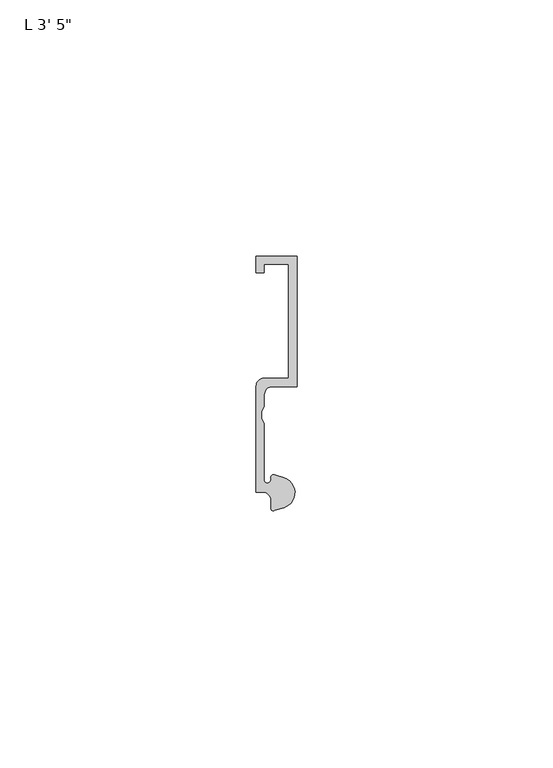
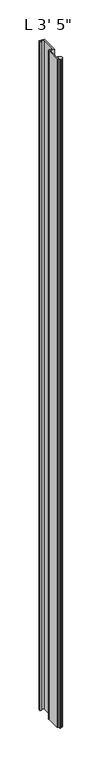
"""IFC4 building model written with IfcOpenShell, lengths in millimetres: proxy geometry."""

from ifc_helpers import new_model, si_unit, point, frame_2d, origin, origin_with_axes, place, context, project, spatial, polyline, circle_curve, trimmed, segment, composite_curve, outline, extrude, source, transform, mapped, element, save


def proxy_7e709a62(model_context):
    return source(origin(), model_context, "Body", "SweptSolid", [
        extrude(outline(composite_curve([segment(polyline([(5.4099313, 0.6224223), (3.5749842, 0.0497144)]), True, "CONTINUOUS"), segment(trimmed(circle_curve(frame_2d((3.3646912, 0.4696291)), 0.4696291), [point((3.5749842, 0.0497144))], [point((2.8950622, 0.4696291))], False, "CARTESIAN"), True, "CONTINUOUS"), segment(polyline([(2.8950622, 0.4696291), (2.8950622, 2.0112392)]), True, "CONTINUOUS"), segment(trimmed(circle_curve(frame_2d((1.3075622, 2.0112392)), 1.5875), [point((2.8950622, 2.0112392))], [point((1.3075622, 3.5987392))], True, "CARTESIAN"), True, "CONTINUOUS"), segment(polyline([(1.3075622, 3.5987392), (0.0, 3.5987392), (0.0, 24.2362392)]), True, "CONTINUOUS"), segment(trimmed(circle_curve(frame_2d((1.5875, 24.2362392)), 1.5875), [point((0.0, 24.2362392))], [point((1.5875, 25.8237392))], False, "CARTESIAN"), True, "CONTINUOUS"), segment(polyline([(1.5875, 25.8237392), (6.35, 25.8237392), (6.35, 48.0300641), (1.5875, 48.0300641), (1.5875, 46.4425641), (0.0, 46.4425641), (0.0, 49.6175641), (7.9375, 49.6175641), (7.9375, 24.2134797), (3.175, 24.2134797)]), True, "CONTINUOUS"), segment(trimmed(circle_curve(frame_2d((3.175, 22.6259797)), 1.5875), [point((3.175, 24.2134797))], [point((1.5875, 22.6259797))], True, "CARTESIAN"), True, "CONTINUOUS"), segment(polyline([(1.5875, 22.6259797), (1.5875, 20.2473512), (1.0783361, 19.3299316), (1.0783361, 17.9897709), (1.5875, 17.0723512), (1.5875, 5.8847392)]), True, "CONTINUOUS"), segment(trimmed(circle_curve(frame_2d((2.0955, 5.8847392)), 0.508), [point((1.5875, 5.8847392))], [point((2.1123834, 5.3770198))], True, "CARTESIAN"), True, "CONTINUOUS"), segment(trimmed(circle_curve(frame_2d((2.1330622, 6.1387392)), 0.762), [point((2.1123834, 5.3770198))], [point((2.8720827, 6.3244611))], True, "CARTESIAN"), True, "CONTINUOUS"), segment(trimmed(circle_curve(frame_2d((3.4254762, 6.4635334)), 0.5706009), [point((2.8720827, 6.3244611))], [point((3.6135887, 7.0022347))], False, "CARTESIAN"), True, "CONTINUOUS"), segment(polyline([(3.6135887, 7.0022347), (5.4099313, 6.4415757)]), True, "CONTINUOUS"), segment(trimmed(circle_curve(frame_2d((4.5018192, 3.531999)), 3.048), [point((5.4099313, 6.4415757))], [point((7.1037699, 1.944499))], False, "CARTESIAN"), True, "CONTINUOUS"), segment(trimmed(circle_curve(frame_2d((4.5018192, 3.531999)), 3.048), [point((7.1037699, 1.944499))], [point((5.4099313, 0.6224223))], False, "CARTESIAN"), True, "CONTINUOUS")], self_intersect=False)), origin_with_axes(), (0.0, 0.0, 1.0), 1041.4),
    ])


if __name__ == "__main__":
    model = new_model("IFC4")
    model_context = context("Model", 3, world=origin())
    ifc_project = project(units=[si_unit("LENGTHUNIT", "METRE", prefix="MILLI")], contexts=[model_context])
    site = spatial("IfcSite", under=ifc_project)
    building = spatial("IfcBuilding", under=site)
    placement = place(None, origin())
    proxy_shape = proxy_7e709a62(model_context)
    element("IfcBuildingElementProxy", 1, Name="L 3' 5\"", ObjectType="L 3' 5\"", at=placement, inside=building, context=model_context, shape_type="MappedRepresentation", body=[
        mapped(proxy_shape, transform((0.0, 0.0, 0.0), x_axis=(1.0, 0.0, 0.0), y_axis=(0.0, 1.0, 0.0), z_axis=(0.0, 0.0, 1.0))),
    ])
    save(model, "model.ifc")
